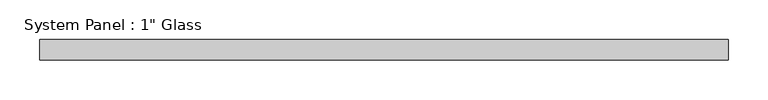
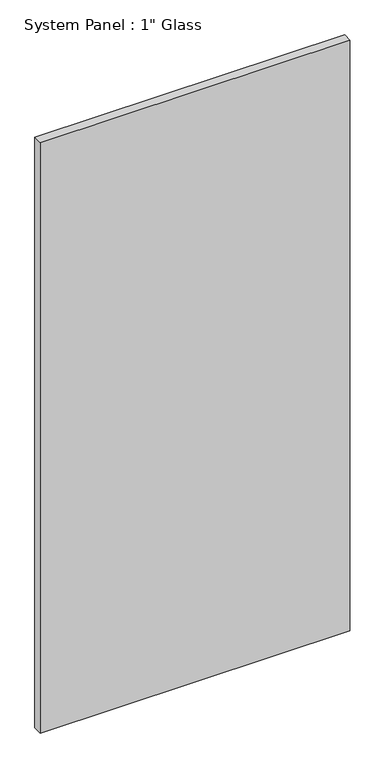
"""IFC4 building model written with IfcOpenShell, lengths in millimetres: plate geometry."""

from ifc_helpers import new_model, si_unit, origin, origin_with_axes, place, context, project, spatial, polyline, outline, extrude, source, transform, mapped, element, save


def plate_8fb67a77(model_context):
    return source(origin(), model_context, "Body", "SweptSolid", [
        extrude(outline(polyline([(431.8, -12.7), (-431.8, -12.7), (-431.8, 12.7), (431.8, 12.7), (431.8, -12.7)])), origin_with_axes(), (0.0, 0.0, 1.0), 1739.9),
    ])


if __name__ == "__main__":
    model = new_model("IFC4")
    model_context = context("Model", 3, world=origin())
    ifc_project = project(units=[si_unit("LENGTHUNIT", "METRE", prefix="MILLI")], contexts=[model_context])
    site = spatial("IfcSite", under=ifc_project)
    building = spatial("IfcBuilding", under=site)
    placement = place(None, origin())
    plate_shape = plate_8fb67a77(model_context)
    element("IfcPlate", 1, ObjectType="System Panel : 1\" Glass", at=placement, inside=building, context=model_context, shape_type="MappedRepresentation", body=[
        mapped(plate_shape, transform((0.0, 0.0, 0.0), x_axis=(1.0, 0.0, 0.0), y_axis=(0.0, 1.0, 0.0), z_axis=(0.0, 0.0, 1.0))),
    ])
    save(model, "model.ifc")
